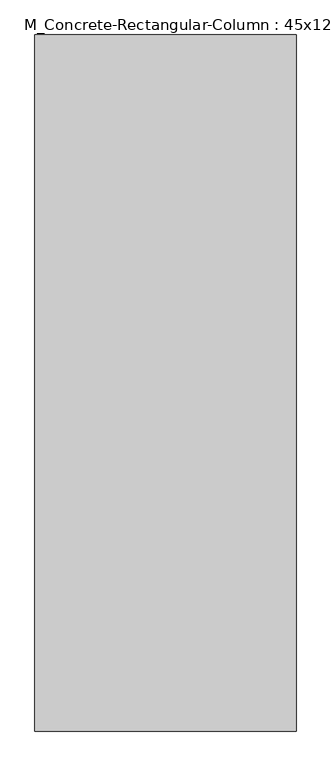
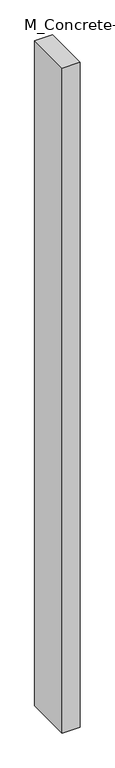
"""IFC4 building model written with IfcOpenShell, lengths in millimetres: column geometry, M_Concrete-Rectangular-Column : 45x120."""

from ifc_helpers import new_model, si_unit, origin, origin_with_axes, place, context, project, spatial, polyline, outline, extrude, source, transform, mapped, element, save


def m_concrete_rectangular_column_45x120_d76ea50d(model_context):
    return source(origin(), model_context, "Body", "SweptSolid", [
        extrude(outline(polyline([(225.0, 600.0), (225.0, -600.0), (-225.0, -600.0), (-225.0, 600.0), (225.0, 600.0)])), origin_with_axes(), (0.0, 0.0, 1.0), 17700.0),
    ])


if __name__ == "__main__":
    model = new_model("IFC4")
    model_context = context("Model", 3, world=origin())
    ifc_project = project(units=[si_unit("LENGTHUNIT", "METRE", prefix="MILLI")], contexts=[model_context])
    site = spatial("IfcSite", under=ifc_project)
    building = spatial("IfcBuilding", under=site)
    placement = place(None, origin())
    m_concrete_rectangular_column_45x120_shape = m_concrete_rectangular_column_45x120_d76ea50d(model_context)
    element("IfcColumn", 1, ObjectType="M_Concrete-Rectangular-Column : 45x120", at=placement, inside=building, context=model_context, shape_type="MappedRepresentation", body=[
        mapped(m_concrete_rectangular_column_45x120_shape, transform((0.0, 0.0, 0.0), x_axis=(1.0, 0.0, 0.0), y_axis=(0.0, 1.0, 0.0), z_axis=(0.0, 0.0, 1.0))),
    ])
    save(model, "model.ifc")
